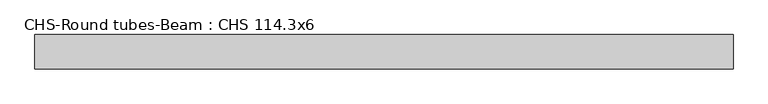
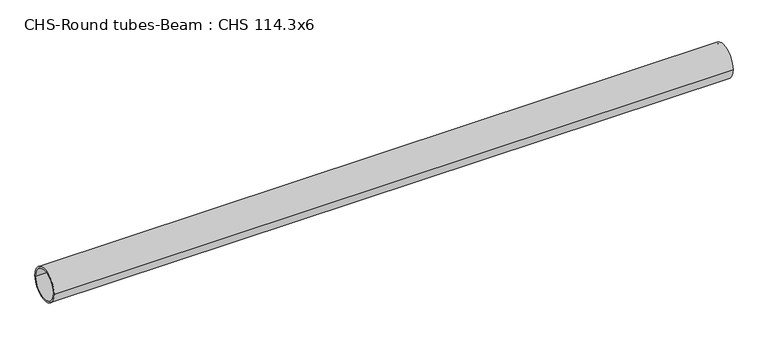
"""IFC4 building model written with IfcOpenShell, lengths in millimetres: beam geometry, CHS-Round tubes-Beam : CHS 114.3x6."""

from ifc_helpers import new_model, si_unit, point, frame, origin, origin_2d, place, context, project, spatial, circle_curve, trimmed, segment, composite_curve, outline, extrude, source, transform, mapped, element, save


def chs_round_tubes_beam_chs_114_3x6_5576cb19(model_context):
    return source(origin(), model_context, "Body", "SweptSolid", [
        extrude(outline(composite_curve([segment(trimmed(circle_curve(origin_2d(), 57.15), [point((57.15, 0.0))], [point((-57.15, 0.0))], False, "CARTESIAN"), True, "CONTINUOUS"), segment(trimmed(circle_curve(origin_2d(), 57.15), [point((-57.15, 0.0))], [point((57.15, 0.0))], False, "CARTESIAN"), True, "CONTINUOUS")], self_intersect=False), holes=[composite_curve([segment(trimmed(circle_curve(origin_2d(), 51.15), [point((51.15, 0.0))], [point((-51.15, 0.0))], True, "CARTESIAN"), True, "CONTINUOUS"), segment(trimmed(circle_curve(origin_2d(), 51.15), [point((-51.15, 0.0))], [point((51.15, 0.0))], True, "CARTESIAN"), True, "CONTINUOUS")], self_intersect=False)]), frame((-1118.0350896, 0.0, 0.0), z_axis=(1.0, 0.0, 0.0), x_axis=(0.0, 1.0, 0.0)), (0.0, 0.0, 1.0), 2328.6771868),
    ])


if __name__ == "__main__":
    model = new_model("IFC4")
    model_context = context("Model", 3, world=origin())
    ifc_project = project(units=[si_unit("LENGTHUNIT", "METRE", prefix="MILLI")], contexts=[model_context])
    site = spatial("IfcSite", under=ifc_project)
    building = spatial("IfcBuilding", under=site)
    placement = place(None, origin())
    chs_round_tubes_beam_chs_114_3x6_shape = chs_round_tubes_beam_chs_114_3x6_5576cb19(model_context)
    element("IfcBeam", 1, ObjectType="CHS-Round tubes-Beam : CHS 114.3x6", at=placement, inside=building, context=model_context, shape_type="MappedRepresentation", body=[
        mapped(chs_round_tubes_beam_chs_114_3x6_shape, transform((0.0, 0.0, 0.0), x_axis=(1.0, 0.0, 0.0), y_axis=(0.0, 1.0, 0.0), z_axis=(0.0, 0.0, 1.0))),
    ])
    save(model, "model.ifc")
